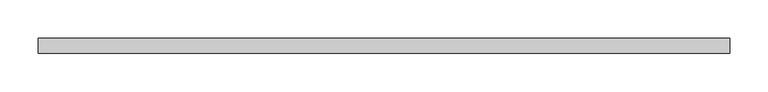
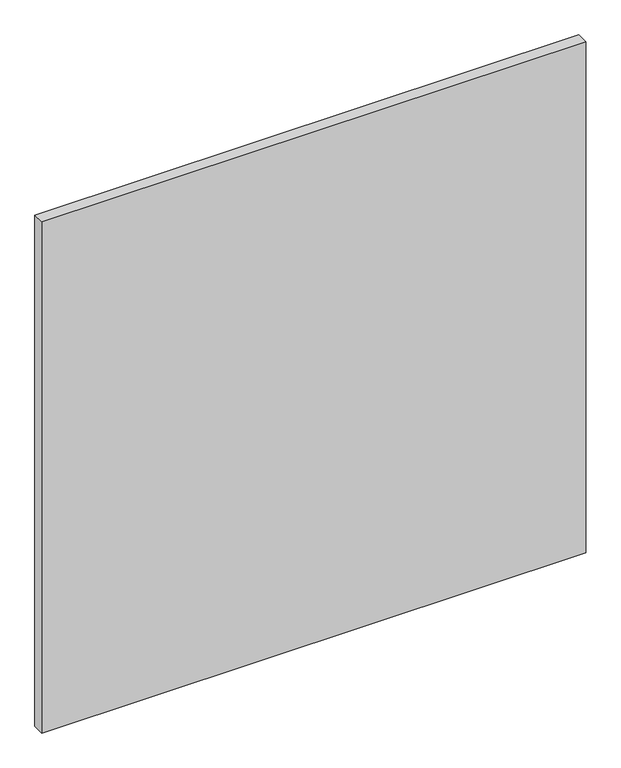
"""IFC4 building model written with IfcOpenShell, lengths in millimetres: proxy geometry."""

from ifc_helpers import new_model, si_unit, frame, origin, place, context, project, spatial, polyline, outline, extrude, source, transform, mapped, element, save


def specialty_equipment_96413b07(model_context):
    return source(origin(), model_context, "Body", "SweptSolid", [
        extrude(outline(polyline([(448.9704, 0.0), (448.9704, -19.05), (-448.9704, -19.05), (-448.9704, 0.0), (448.9704, 0.0)])), frame((0.0, 0.0, 3.175), z_axis=(0.0, 0.0, 1.0), x_axis=(1.0, 0.0, 0.0)), (0.0, 0.0, 1.0), 892.175),
    ])


if __name__ == "__main__":
    model = new_model("IFC4")
    model_context = context("Model", 3, world=origin())
    ifc_project = project(units=[si_unit("LENGTHUNIT", "METRE", prefix="MILLI")], contexts=[model_context])
    site = spatial("IfcSite", under=ifc_project)
    building = spatial("IfcBuilding", under=site)
    placement = place(None, origin())
    specialty_equipment_shape = specialty_equipment_96413b07(model_context)
    element("IfcBuildingElementProxy", 1, Name="Specialty Equipment", at=placement, inside=building, context=model_context, shape_type="MappedRepresentation", body=[
        mapped(specialty_equipment_shape, transform((0.0, 0.0, 0.0), x_axis=(1.0, 0.0, 0.0), y_axis=(0.0, 1.0, 0.0), z_axis=(0.0, 0.0, 1.0))),
    ])
    save(model, "model.ifc")
